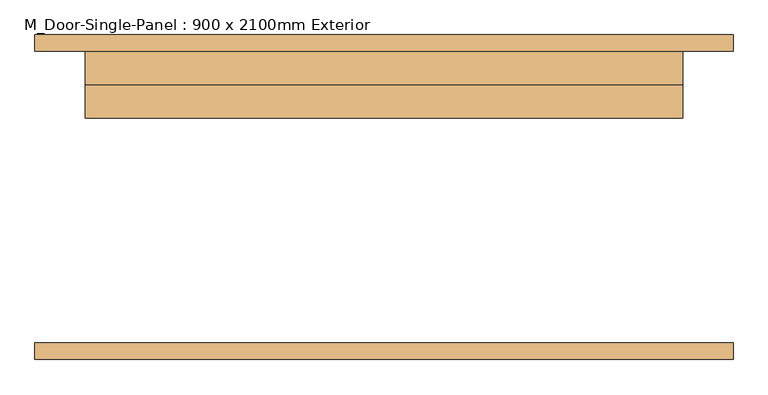
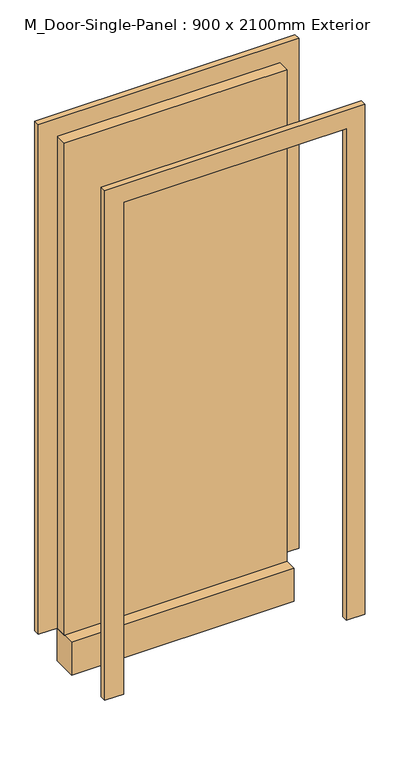
"""IFC4 building model written with IfcOpenShell, lengths in millimetres: door geometry, M_Door-Single-Panel : 900 x 2100mm Exterior."""

from ifc_helpers import new_model, si_unit, frame, origin, origin_with_axes, place, context, project, spatial, polyline, outline, extrude, source, transform, mapped, element, save


def m_door_single_panel_900_x_2100mm_exterior_fec47de2(model_context):
    return source(origin(), model_context, "Body", "SweptSolid", [
        extrude(outline(polyline([(450.0, 170.0), (-450.0, 170.0), (-450.0, 220.0), (450.0, 220.0), (450.0, 170.0)])), origin_with_axes(), (0.0, 0.0, 1.0), 2100.0),
        extrude(outline(polyline([(2176.2, -526.2), (0.0, -526.2), (0.0, -450.0), (2100.0, -450.0), (2100.0, 450.0), (0.0, 450.0), (0.0, 526.2), (2176.2, 526.2), (2176.2, -526.2)])), frame((0.0, 220.0, 0.0), z_axis=(0.0, 1.0, 0.0), x_axis=(0.0, 0.0, 1.0)), (0.0, 0.0, 1.0), 25.0),
        extrude(outline(polyline([(2176.2, 526.2), (2176.2, -526.2), (0.0, -526.2), (0.0, -450.0), (2100.0, -450.0), (2100.0, 450.0), (0.0, 450.0), (0.0, 526.2), (2176.2, 526.2)])), frame((0.0, -245.0, 0.0), z_axis=(0.0, 1.0, 0.0), x_axis=(0.0, 0.0, 1.0)), (0.0, 0.0, 1.0), 25.0),
        extrude(outline(polyline([(450.0, 220.0), (450.0, 120.0), (-450.0, 120.0), (-450.0, 220.0), (450.0, 220.0)])), frame((0.0, 0.0, -140.0), z_axis=(0.0, 0.0, 1.0), x_axis=(1.0, 0.0, 0.0)), (0.0, 0.0, 1.0), 140.0),
    ])


if __name__ == "__main__":
    model = new_model("IFC4")
    model_context = context("Model", 3, world=origin())
    ifc_project = project(units=[si_unit("LENGTHUNIT", "METRE", prefix="MILLI")], contexts=[model_context])
    site = spatial("IfcSite", under=ifc_project)
    building = spatial("IfcBuilding", under=site)
    placement = place(None, origin())
    m_door_single_panel_900_x_2100mm_exterior_shape = m_door_single_panel_900_x_2100mm_exterior_fec47de2(model_context)
    element("IfcDoor", 1, ObjectType="M_Door-Single-Panel : 900 x 2100mm Exterior", at=placement, inside=building, context=model_context, shape_type="MappedRepresentation", body=[
        mapped(m_door_single_panel_900_x_2100mm_exterior_shape, transform((0.0, 0.0, 0.0), x_axis=(1.0, 0.0, 0.0), y_axis=(0.0, 1.0, 0.0), z_axis=(0.0, 0.0, 1.0))),
    ])
    save(model, "model.ifc")
